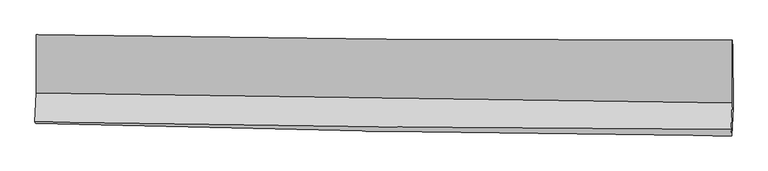
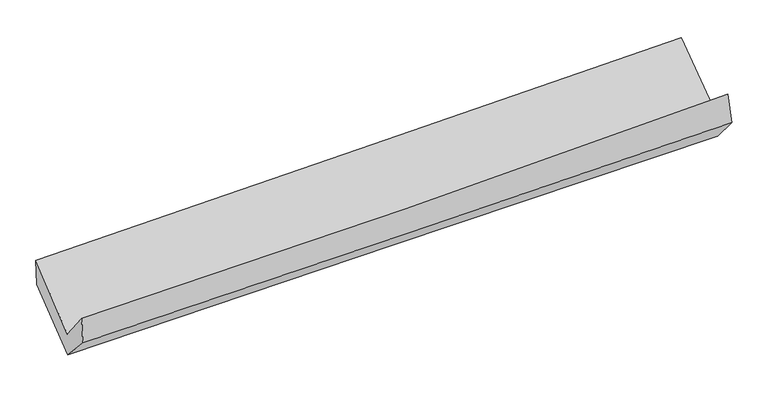
"""IFC4 building model written with IfcOpenShell, lengths in millimetres: proxy geometry."""

from ifc_helpers import new_model, si_unit, frame, origin, place, context, project, spatial, source, transform, mapped, element, save
from ifc_brep_helpers import plane_surface, spline_curve, spline_surface, advanced_brep


def generic_models_1a110613(model_context):
    return source(origin(), model_context, "Body", "AdvancedBrep", [
        advanced_brep(
        [(-3022.8727482, -1179.4828999, 2187.3908515), (-3020.5908566, -1685.8852083, 1759.5646258), (3009.8108426, -1769.2829224, 1921.3357168), (3008.3938194, -1225.1453666, 2313.7122229), (-3032.6150561, -1937.8578469, 2072.2686715), (2998.2239803, -2003.0445814, 2228.3357506), (-3026.8607929, -1949.2797634, 1834.8561381), (3003.7445656, -2058.2566534, 1978.8552589), (-3015.1646024, -1679.9641372, 1546.7831609), (3015.0741059, -1809.8375054, 1690.9704681), (-3016.8367264, -1179.8180476, 1946.0964377), (3013.0949825, -1292.3209289, 2088.7729313)],
        [
            (0, 1),
            (1, 2, spline_curve(3, [(-3020.5908566, -1685.8852083, 1759.5646258), (-2015.278176076, -1701.124165238, 1774.691656249), (-1010.118203399, -1715.693080065, 1795.734943709), (1000.015732752, -1743.492477083, 1849.657234598), (2004.989659879, -1756.722800221, 1882.537644468), (3009.8108426, -1769.2829224, 1921.3357168)], [4, 2, 4], [0.0, 9.895949654588003, 19.793075063106954])),
            (2, 3),
            (3, 0, spline_curve(3, [(3008.3938194, -1225.1453666, 2313.7122229), (2002.791213762, -1228.037896843, 2299.876295605), (997.354517694, -1225.678418426, 2282.430710956), (-1013.06763202, -1210.4563482, 2240.322729754), (-2018.053125121, -1197.595004638, 2215.661190121), (-3022.8727482, -1179.4828999, 2187.3908515)], [4, 2, 4], [0.0, 9.897125408518951, 19.793075063106954])),
            (1, 4),
            (4, 5, spline_curve(3, [(-3032.6150561, -1937.8578469, 2072.2686715), (-2027.274100053, -1954.011523008, 2085.738826256), (-1022.06354852, -1967.52042336, 2105.478348455), (988.216161133, -1989.249963425, 2157.499218504), (1993.285288364, -1997.469974409, 2189.782055953), (2998.2239803, -2003.0445814, 2228.3357506)], [4, 2, 4], [0.0, 9.896541133091874, 19.794258090389224])),
            (5, 2),
            (4, 6),
            (6, 7, spline_curve(3, [(-3026.8607929, -1949.2797634, 1834.8561381), (-2022.112378948, -1978.112481096, 1864.503906885), (-1017.217586793, -2001.610025264, 1891.327172941), (992.984164375, -2037.936922837, 1939.327551391), (1998.291158629, -2050.765009178, 1960.503992126), (3003.7445656, -2058.2566534, 1978.8552589)], [4, 2, 4], [0.0, 9.896513109138263, 19.79420203915243])),
            (7, 5),
            (6, 8),
            (8, 9, spline_curve(3, [(-3015.1646024, -1679.9641372, 1546.7831609), (-2010.513796233, -1708.737861212, 1580.061041535), (-1005.698361396, -1733.947072482, 1608.715151623), (1004.381169117, -1777.23904236, 1656.778686261), (2009.645303503, -1795.320953483, 1676.187011818), (3015.0741059, -1809.8375054, 1690.9704681)], [4, 2, 4], [0.0, 9.896793964587411, 19.794763783419622])),
            (9, 7),
            (8, 10),
            (10, 11, spline_curve(3, [(-3016.8367264, -1179.8180476, 1946.0964377), (-2012.359369716, -1208.633040173, 1981.895884501), (-1007.656245344, -1232.415518651, 2011.68496671), (1002.320937586, -1269.917675263, 2059.245226078), (2007.595049161, -1283.636156979, 2077.014975142), (3013.0949825, -1292.3209289, 2088.7729313)], [4, 2, 4], [0.0, 9.89630697591097, 19.79378974820682])),
            (11, 9),
            (10, 0),
            (3, 11),
        ],
        [
            spline_surface(3, 3, [[(-3022.8727482, -1179.4828999, 2187.3908515), (-2018.053125145, -1197.595004506, 2215.661190246), (-1013.067632056, -1210.456348308, 2240.322729674), (997.35451773, -1225.678418318, 2282.430711037), (2002.791213835, -1228.037896749, 2299.876295454), (3008.3938194, -1225.1453666, 2313.7122229)], [(-3022.112117687, -1348.283669347, 2044.782109592), (-2017.128142106, -1365.438058021, 2068.671345607), (-1012.084489142, -1378.868592203, 2092.126800995), (998.241589389, -1398.283104639, 2138.172885594), (2003.524029127, -1404.266197964, 2160.76341179), (3008.866160441, -1406.524551872, 2182.92005421)], [(-3021.351487113, -1517.084438853, 1902.173367708), (-2016.203159007, -1533.281111596, 1921.681500991), (-1011.101346248, -1547.280836035, 1943.930872296), (999.128661028, -1570.887790896, 1993.915060132), (2004.256844497, -1580.494499164, 2021.650528096), (3009.338501559, -1587.903737128, 2052.12788549)], [(-3020.5908566, -1685.8852083, 1759.5646258), (-2015.278175969, -1701.124165111, 1774.691656352), (-1010.118203334, -1715.693079931, 1795.734943618), (1000.015732687, -1743.492477217, 1849.65723469), (2004.989659789, -1756.722800379, 1882.537644433), (3009.8108426, -1769.2829224, 1921.3357168)]], [4, 4], [4, 2, 4], [0.0, 2.210874594069372], [0.0, 9.895949654588003, 19.793075063106954]),
            spline_surface(3, 3, [[(-3020.5908566, -1685.8852083, 1759.5646258), (-2015.278175969, -1701.124165111, 1774.691656352), (-1010.118203334, -1715.693079931, 1795.734943618), (1000.015732687, -1743.492477217, 1849.65723469), (2004.989659789, -1756.722800379, 1882.537644433), (3009.8108426, -1769.2829224, 1921.3357168)], [(-3024.598923091, -1769.876087844, 1863.799307698), (-2019.276817372, -1785.419951107, 1878.374046323), (-1014.0999851, -1799.635527759, 1898.982745268), (996.082542177, -1825.411639282, 1952.271229265), (2001.088202667, -1836.971858426, 1984.952448224), (3005.948555181, -1847.203475384, 2023.669061386)], [(-3028.606989609, -1853.866967356, 1968.033989602), (-2023.275458802, -1869.715737073, 1982.056436299), (-1018.081766823, -1883.577975565, 2002.230546905), (992.149351712, -1907.330801325, 2054.885223828), (1997.186745502, -1917.220916521, 2087.367252058), (3002.086267719, -1925.124028416, 2126.002406014)], [(-3032.6150561, -1937.8578469, 2072.2686715), (-2027.274100206, -1954.011523069, 2085.738826269), (-1022.06354859, -1967.520423394, 2105.478348556), (988.216161203, -1989.249963391, 2157.499218403), (1993.28528838, -1997.469974567, 2189.78205585), (2998.2239803, -2003.0445814, 2228.3357506)]], [4, 4], [4, 2, 4], [0.0, 1.3015935808775891], [0.0, 9.896541133091874, 19.794258090389224]),
            spline_surface(3, 3, [[(-3032.6150561, -1937.8578469, 2072.2686715), (-2027.274100206, -1954.011523069, 2085.738826269), (-1022.06354859, -1967.520423394, 2105.478348556), (988.216161203, -1989.249963391, 2157.499218403), (1993.28528838, -1997.469974567, 2189.78205585), (2998.2239803, -2003.0445814, 2228.3357506)], [(-3030.696968373, -1941.6651524, 1993.131160358), (-2025.553526491, -1962.045175788, 2011.993853155), (-1020.448228029, -1978.883623949, 2034.094623381), (989.805495627, -2005.478949888, 2084.775329325), (1994.953911746, -2015.234986059, 2113.356034581), (3000.064175391, -2021.44860539, 2145.175586705)], [(-3028.778880627, -1945.4724579, 1913.993649242), (-2023.832952757, -1970.078828506, 1938.248880066), (-1018.832907461, -1990.246824583, 1962.710898272), (991.394830058, -2021.707936465, 2012.051440313), (1996.622535139, -2032.999997582, 2036.930013298), (3001.904370509, -2039.85262941, 2062.015422795)], [(-3026.8607929, -1949.2797634, 1834.8561381), (-2022.112379042, -1978.112481226, 1864.503906952), (-1017.2175869, -2001.610025138, 1891.327173097), (992.984164482, -2037.936922963, 1939.327551235), (1998.291158506, -2050.765009074, 1960.503992029), (3003.7445656, -2058.2566534, 1978.8552589)]], [4, 4], [4, 2, 4], [0.0, 0.7222471673041861], [0.0, 9.896513109138263, 19.79420203915243]),
            spline_surface(3, 3, [[(-3026.8607929, -1949.2797634, 1834.8561381), (-2022.112379042, -1978.112481226, 1864.503906952), (-1017.2175869, -2001.610025138, 1891.327173097), (992.984164482, -2037.936922963, 1939.327551235), (1998.291158506, -2050.765009074, 1960.503992029), (3003.7445656, -2058.2566534, 1978.8552589)], [(-3022.962062713, -1859.507888012, 1738.83181236), (-2018.246184732, -1888.320941182, 1769.689618464), (-1013.377845013, -1912.389040952, 1797.123165957), (996.78316601, -1951.037629435, 1845.144596227), (2002.075873543, -1965.616990603, 1865.731665283), (3007.521079046, -1975.45027076, 1882.893661986)], [(-3019.063332587, -1769.736012588, 1642.80748664), (-2014.379990481, -1798.529401102, 1674.875329996), (-1009.538103179, -1823.168056708, 1702.919158814), (1000.582167485, -1864.138335848, 1750.961641217), (2005.860588543, -1880.468972054, 1770.95933848), (3011.297592454, -1892.64388804, 1786.932065014)], [(-3015.1646024, -1679.9641372, 1546.7831609), (-2010.513796171, -1708.737861058, 1580.061041509), (-1005.698361292, -1733.947072522, 1608.715151674), (1004.381169013, -1777.23904232, 1656.77868621), (2009.64530358, -1795.320953584, 1676.187011734), (3015.0741059, -1809.8375054, 1690.9704681)]], [4, 4], [4, 2, 4], [0.0, 1.2697065168330712], [0.0, 9.896793964587411, 19.794763783419622]),
            spline_surface(3, 3, [[(-3015.1646024, -1679.9641372, 1546.7831609), (-2010.513796171, -1708.737861058, 1580.061041509), (-1005.698361292, -1733.947072522, 1608.715151674), (1004.381169013, -1777.23904232, 1656.77868621), (2009.64530358, -1795.320953584, 1676.187011734), (3015.0741059, -1809.8375054, 1690.9704681)], [(-3015.721977067, -1513.248773996, 1679.887586508), (-2011.128987389, -1542.036254116, 1714.005989215), (-1006.35098925, -1566.769887917, 1743.038423333), (1003.694425165, -1608.131919898, 1790.934199525), (2008.961885426, -1624.759354725, 1809.796332915), (3014.414398093, -1637.331979896, 1823.571289167)], [(-3016.279351733, -1346.533410804, 1812.992012092), (-2011.744178606, -1375.334647184, 1847.950936896), (-1007.003617238, -1399.592703388, 1877.361694984), (1003.007681287, -1439.024797553, 1925.08971283), (2008.278467294, -1454.197755879, 1943.405654095), (3013.754690307, -1464.826454404, 1956.172110233)], [(-3016.8367264, -1179.8180476, 1946.0964377), (-2012.359369823, -1208.633040242, 1981.895884602), (-1007.656245197, -1232.415518783, 2011.684966643), (1002.320937439, -1269.917675131, 2059.245226145), (2007.59504914, -1283.63615702, 2077.014975275), (3013.0949825, -1292.3209289, 2088.7729313)]], [4, 4], [4, 2, 4], [0.0, 2.1176858183423124], [0.0, 9.89630697591097, 19.79378974820682]),
            spline_surface(3, 3, [[(-3016.8367264, -1179.8180476, 1946.0964377), (-2012.359369823, -1208.633040242, 1981.895884602), (-1007.656245197, -1232.415518783, 2011.684966643), (1002.320937439, -1269.917675131, 2059.245226145), (2007.59504914, -1283.63615702, 2077.014975275), (3013.0949825, -1292.3209289, 2088.7729313)], [(-3018.848733669, -1179.706331701, 2026.527908983), (-2014.257288266, -1204.953694997, 2059.817653166), (-1009.460040833, -1225.095795294, 2087.897554327), (1000.665464186, -1255.171256197, 2133.640387782), (2005.99377072, -1265.103403596, 2151.302081982), (3011.527928149, -1269.929074799, 2163.752695147)], [(-3020.860740931, -1179.594615799, 2106.959380217), (-2016.155206702, -1201.27434975, 2137.739421681), (-1011.26383642, -1217.776071796, 2164.11014199), (999.009990983, -1240.424837252, 2208.035549399), (2004.392492254, -1246.570650174, 2225.589188747), (3009.960873751, -1247.537220701, 2238.732459053)], [(-3022.8727482, -1179.4828999, 2187.3908515), (-2018.053125145, -1197.595004506, 2215.661190246), (-1013.067632056, -1210.456348308, 2240.322729674), (997.35451773, -1225.678418318, 2282.430711037), (2002.791213835, -1228.037896749, 2299.876295454), (3008.3938194, -1225.1453666, 2313.7122229)]], [4, 4], [4, 2, 4], [0.0, 0.7492858371074933], [0.0, 9.89567947183334, 19.792534665496774]),
            plane_surface(frame((3008.0570494, -1692.9813264, 2036.9970581), z_axis=(0.9995452763841561, -0.015880789424068436, 0.02563281071965485), x_axis=(-0.0030320076926974985, 0.7928329398482798, 0.609431486240156))),
            plane_surface(frame((-3022.4901304, -1602.0479839, 1891.1599809), z_axis=(-0.999548284535729, 0.01663961665219724, -0.025026986221864552), x_axis=(0.025007327071590837, -0.0013885218370328785, -0.9996863035972048))),
        ],
        [
            (0, [[1, 2, 3, 4]]),
            (1, [[5, 6, 7, -2]]),
            (2, [[8, 9, 10, -6]]),
            (3, [[11, 12, 13, -9]]),
            (4, [[14, 15, 16, -12]]),
            (5, [[17, -4, 18, -15]]),
            (6, [[-16, -18, -3, -7, -10, -13]]),
            (7, [[-17, -14, -11, -8, -5, -1]]),
        ],
    ),
    ])


if __name__ == "__main__":
    model = new_model("IFC4")
    model_context = context("Model", 3, world=origin())
    ifc_project = project(units=[si_unit("LENGTHUNIT", "METRE", prefix="MILLI")], contexts=[model_context])
    site = spatial("IfcSite", under=ifc_project)
    building = spatial("IfcBuilding", under=site)
    placement = place(None, origin())
    generic_models_shape = generic_models_1a110613(model_context)
    element("IfcBuildingElementProxy", 1, Name="Generic Models", at=placement, inside=building, context=model_context, shape_type="MappedRepresentation", body=[
        mapped(generic_models_shape, transform((0.0, 0.0, 0.0), x_axis=(1.0, 0.0, 0.0), y_axis=(0.0, 1.0, 0.0), z_axis=(0.0, 0.0, 1.0))),
    ])
    save(model, "model.ifc")
